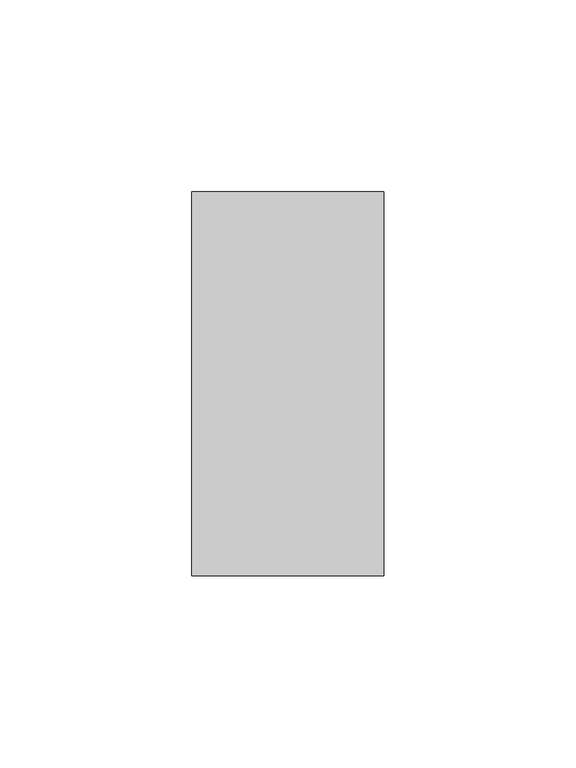
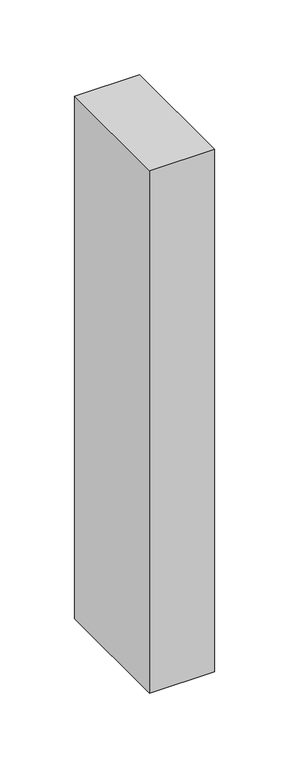
"""IFC4 building model written with IfcOpenShell, lengths in millimetres: member geometry."""

from ifc_helpers import new_model, si_unit, frame, origin, place, context, project, spatial, polyline, outline, extrude, source, transform, mapped, element, save


def member_4aa36612(model_context):
    return source(origin(), model_context, "Body", "SweptSolid", [
        extrude(outline(polyline([(0.0, 50.0), (0.0, -50.0), (-50.0, -50.0), (-50.0, 50.0), (0.0, 50.0)])), frame((0.0, 0.0, -425.8552083), z_axis=(0.0, 0.0, 1.0), x_axis=(1.0, 0.0, 0.0)), (0.0, 0.0, 1.0), 425.8552083),
    ])


if __name__ == "__main__":
    model = new_model("IFC4")
    model_context = context("Model", 3, world=origin())
    ifc_project = project(units=[si_unit("LENGTHUNIT", "METRE", prefix="MILLI")], contexts=[model_context])
    site = spatial("IfcSite", under=ifc_project)
    building = spatial("IfcBuilding", under=site)
    placement = place(None, origin())
    member_shape = member_4aa36612(model_context)
    element("IfcMember", 1, at=placement, inside=building, context=model_context, shape_type="MappedRepresentation", body=[
        mapped(member_shape, transform((0.0, 0.0, 0.0), x_axis=(1.0, 0.0, 0.0), y_axis=(0.0, 1.0, 0.0), z_axis=(0.0, 0.0, 1.0))),
    ])
    save(model, "model.ifc")
